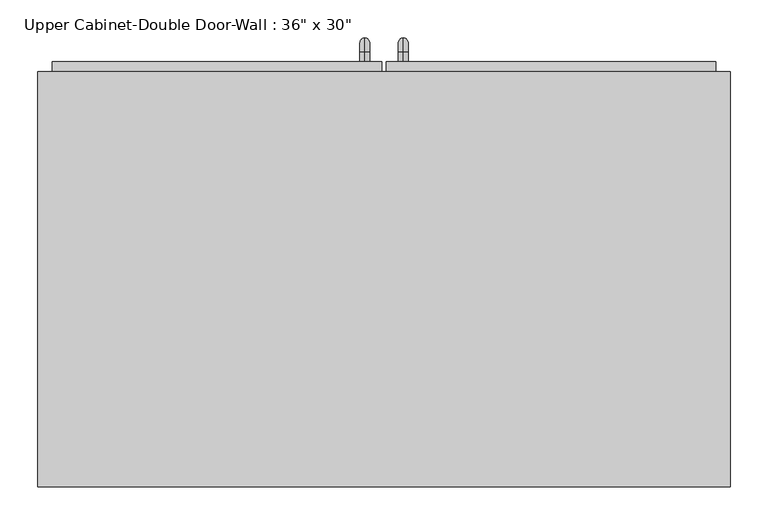
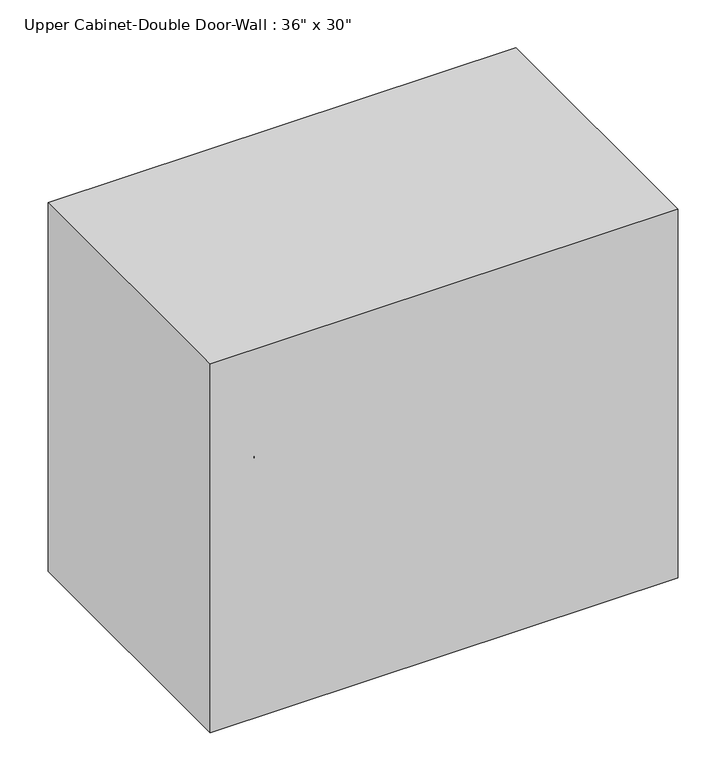
"""IFC4 building model written with IfcOpenShell, lengths in millimetres: furniture geometry."""

from ifc_helpers import new_model, si_unit, point, frame, origin, place, context, project, spatial, polyline, circle_curve, ellipse_curve, trimmed, outline, extrude, faceted_brep, source, transform, mapped, element, save
from ifc_brep_helpers import plane_surface, cylinder_surface, revolved_surface, advanced_brep


def furniture_4cceae57(model_context):
    return source(origin(), model_context, "Body", "SolidModel", [
        faceted_brep([(-427.4288372, 61.9125, 2133.6), (-427.4288372, 61.9125, 1371.6), (486.9711628, 61.9125, 1371.6), (486.9711628, 61.9125, 2133.6), (-427.4288372, 611.1875, 2133.6), (486.9711628, 611.1875, 2133.6), (486.9711628, 611.1875, 1371.6), (-427.4288372, 611.1875, 1371.6), (-408.3788372, 611.1875, 2114.55), (-408.3788372, 611.1875, 1390.65), (467.9211628, 611.1875, 1390.65), (467.9211628, 611.1875, 2114.55), (467.9211628, 80.9625, 2114.55), (-408.3788372, 80.9625, 2114.55), (467.9211628, 80.9625, 1390.65), (-408.3788372, 80.9625, 1390.65)], [[[0, 1, 2, 3]], [[4, 5, 6, 7], [8, 9, 10, 11]], [[1, 0, 4, 7]], [[2, 1, 7, 6]], [[3, 2, 6, 5]], [[0, 3, 5, 4]], [[8, 11, 12, 13]], [[11, 10, 14, 12]], [[10, 9, 15, 14]], [[9, 8, 13, 15]], [[13, 12, 14, 15]]]),
        advanced_brep(
        [(55.1711628, 623.8875, 1517.65), (55.1711628, 623.8875, 1530.35), (55.1711628, 636.5875, 1517.65), (55.1711628, 636.5875, 1530.35), (55.1711628, 655.6375, 1511.3), (55.1711628, 642.9375, 1511.3), (55.1711628, 642.9375, 1435.1), (55.1711628, 655.6375, 1435.1), (55.1711628, 636.5875, 1416.05), (55.1711628, 636.5875, 1428.75), (55.1711628, 623.8875, 1428.75), (55.1711628, 623.8875, 1416.05)],
        [
            (0, 1, circle_curve(frame((55.1711628, 623.8875, 1524.0), z_axis=(0.0, -1.0, 0.0), x_axis=(0.0, 0.0, -1.0)), 6.35)),
            (1, 0, circle_curve(frame((55.1711628, 623.8875, 1524.0), z_axis=(0.0, -1.0, 0.0), x_axis=(0.0, 0.0, -1.0)), 6.35)),
            (0, 2),
            (2, 3, circle_curve(frame((55.1711628, 636.5875, 1524.0), z_axis=(0.0, -1.0, 0.0), x_axis=(0.0, 0.0, -1.0)), 6.35)),
            (3, 1),
            (3, 2, circle_curve(frame((55.1711628, 636.5875, 1524.0), z_axis=(0.0, -1.0, 0.0), x_axis=(0.0, 0.0, -1.0)), 6.35)),
            (4, 3, circle_curve(frame((55.1711628, 636.5875, 1511.3), z_axis=(1.0, 0.0, 0.0), x_axis=(0.0, 0.0, 1.0)), 19.05)),
            (2, 5, circle_curve(frame((55.1711628, 636.5875, 1511.3), z_axis=(-1.0, 0.0, 0.0), x_axis=(0.0, 0.0, 1.0)), 6.35)),
            (5, 4, circle_curve(frame((55.1711628, 649.2875, 1511.3), z_axis=(0.0, 0.0, 1.0), x_axis=(0.0, -1.0, 0.0)), 6.35)),
            (4, 5, circle_curve(frame((55.1711628, 649.2875, 1511.3), z_axis=(0.0, 0.0, 1.0), x_axis=(0.0, -1.0, 0.0)), 6.35)),
            (5, 6),
            (6, 7, circle_curve(frame((55.1711628, 649.2875, 1435.1), z_axis=(0.0, 0.0, 1.0), x_axis=(0.0, -1.0, 0.0)), 6.35)),
            (7, 4),
            (7, 6, circle_curve(frame((55.1711628, 649.2875, 1435.1), z_axis=(0.0, 0.0, 1.0), x_axis=(0.0, -1.0, 0.0)), 6.35)),
            (8, 7, circle_curve(frame((55.1711628, 636.5875, 1435.1), z_axis=(1.0, 0.0, 0.0), x_axis=(0.0, 1.0, 0.0)), 19.05)),
            (6, 9, circle_curve(frame((55.1711628, 636.5875, 1435.1), z_axis=(-1.0, 0.0, 0.0), x_axis=(0.0, 1.0, 0.0)), 6.35)),
            (9, 8, circle_curve(frame((55.1711628, 636.5875, 1422.4), z_axis=(0.0, 1.0, 0.0), x_axis=(0.0, 0.0, 1.0)), 6.35)),
            (8, 9, circle_curve(frame((55.1711628, 636.5875, 1422.4), z_axis=(0.0, 1.0, 0.0), x_axis=(0.0, 0.0, 1.0)), 6.35)),
            (10, 11, circle_curve(frame((55.1711628, 623.8875, 1422.4), z_axis=(0.0, -1.0, 0.0), x_axis=(0.0, 0.0, 1.0)), 6.35)),
            (11, 10, circle_curve(frame((55.1711628, 623.8875, 1422.4), z_axis=(0.0, -1.0, 0.0), x_axis=(0.0, 0.0, 1.0)), 6.35)),
            (9, 10),
            (11, 8),
        ],
        [
            plane_surface(frame((48.8211628, 623.8875, 1524.0), z_axis=(0.0, -1.0, 0.0), x_axis=(0.0, 0.0, 1.0))),
            cylinder_surface(frame((55.1711628, 623.8875, 1524.0), z_axis=(0.0, -1.0, 0.0), x_axis=(0.0, 0.0, -1.0)), 6.35),
            revolved_surface(trimmed(ellipse_curve(frame((55.1711628, 636.5875, 1524.0), z_axis=(0.0, -1.0, 0.0), x_axis=(0.0, 0.0, -1.0)), 6.35, 6.35), [point((55.1711628, 636.5875, 1517.65))], [point((55.1711628, 636.5875, 1530.35))], True, "CARTESIAN"), (55.1711628, 636.5875, 1511.3), (-1.0, 0.0, 0.0)),
            revolved_surface(trimmed(ellipse_curve(frame((55.1711628, 636.5875, 1524.0), z_axis=(0.0, -1.0, 0.0), x_axis=(0.0, 0.0, -1.0)), 6.35, 6.35), [point((55.1711628, 636.5875, 1530.35))], [point((55.1711628, 636.5875, 1517.65))], True, "CARTESIAN"), (55.1711628, 636.5875, 1511.3), (-1.0, 0.0, 0.0)),
            cylinder_surface(frame((55.1711628, 649.2875, 1511.3), z_axis=(0.0, 0.0, 1.0), x_axis=(0.0, -1.0, 0.0)), 6.35),
            revolved_surface(trimmed(ellipse_curve(frame((55.1711628, 649.2875, 1435.1), z_axis=(0.0, 0.0, 1.0), x_axis=(0.0, -1.0, 0.0)), 6.35, 6.35), [point((55.1711628, 642.9375, 1435.1))], [point((55.1711628, 655.6375, 1435.1))], True, "CARTESIAN"), (55.1711628, 636.5875, 1435.1), (-1.0, 0.0, 0.0)),
            revolved_surface(trimmed(ellipse_curve(frame((55.1711628, 649.2875, 1435.1), z_axis=(0.0, 0.0, 1.0), x_axis=(0.0, -1.0, 0.0)), 6.35, 6.35), [point((55.1711628, 655.6375, 1435.1))], [point((55.1711628, 642.9375, 1435.1))], True, "CARTESIAN"), (55.1711628, 636.5875, 1435.1), (-1.0, 0.0, 0.0)),
            plane_surface(frame((48.8211628, 623.8875, 1422.4), z_axis=(0.0, -1.0, 0.0), x_axis=(0.0, 0.0, -1.0))),
            cylinder_surface(frame((55.1711628, 636.5875, 1422.4), z_axis=(0.0, 1.0, 0.0), x_axis=(0.0, 0.0, 1.0)), 6.35),
        ],
        [
            (0, [[1, 2]]),
            (1, [[-1, 3, 4, 5]]),
            (1, [[-2, -5, 6, -3]]),
            (2, [[7, -4, 8, 9]]),
            (3, [[-8, -6, -7, 10]]),
            (4, [[-9, 11, 12, 13]]),
            (4, [[-10, -13, 14, -11]]),
            (5, [[15, -12, 16, 17]]),
            (6, [[-16, -14, -15, 18]]),
            (7, [[19, 20]]),
            (8, [[-17, 21, -20, 22]]),
            (8, [[-18, -22, -19, -21]]),
        ],
    ),
        advanced_brep(
        [(4.3711628, 623.8875, 1517.65), (4.3711628, 623.8875, 1530.35), (4.3711628, 636.5875, 1517.65), (4.3711628, 636.5875, 1530.35), (4.3711628, 655.6375, 1511.3), (4.3711628, 642.9375, 1511.3), (4.3711628, 642.9375, 1435.1), (4.3711628, 655.6375, 1435.1), (4.3711628, 636.5875, 1416.05), (4.3711628, 636.5875, 1428.75), (4.3711628, 623.8875, 1428.75), (4.3711628, 623.8875, 1416.05)],
        [
            (0, 1, circle_curve(frame((4.3711628, 623.8875, 1524.0), z_axis=(0.0, -1.0, 0.0), x_axis=(0.0, 0.0, 1.0)), 6.35)),
            (1, 0, circle_curve(frame((4.3711628, 623.8875, 1524.0), z_axis=(0.0, -1.0, 0.0), x_axis=(0.0, 0.0, 1.0)), 6.35)),
            (0, 2),
            (2, 3, circle_curve(frame((4.3711628, 636.5875, 1524.0), z_axis=(0.0, -1.0, 0.0), x_axis=(0.0, 0.0, 1.0)), 6.35)),
            (3, 1),
            (3, 2, circle_curve(frame((4.3711628, 636.5875, 1524.0), z_axis=(0.0, -1.0, 0.0), x_axis=(0.0, 0.0, 1.0)), 6.35)),
            (4, 3, circle_curve(frame((4.3711628, 636.5875, 1511.3), z_axis=(1.0, 0.0, 0.0), x_axis=(0.0, 0.0, 1.0)), 19.05)),
            (2, 5, circle_curve(frame((4.3711628, 636.5875, 1511.3), z_axis=(-1.0, 0.0, 0.0), x_axis=(0.0, 0.0, 1.0)), 6.35)),
            (5, 4, circle_curve(frame((4.3711628, 649.2875, 1511.3), z_axis=(0.0, 0.0, 1.0), x_axis=(0.0, 1.0, 0.0)), 6.35)),
            (4, 5, circle_curve(frame((4.3711628, 649.2875, 1511.3), z_axis=(0.0, 0.0, 1.0), x_axis=(0.0, 1.0, 0.0)), 6.35)),
            (5, 6),
            (6, 7, circle_curve(frame((4.3711628, 649.2875, 1435.1), z_axis=(0.0, 0.0, 1.0), x_axis=(0.0, 1.0, 0.0)), 6.35)),
            (7, 4),
            (7, 6, circle_curve(frame((4.3711628, 649.2875, 1435.1), z_axis=(0.0, 0.0, 1.0), x_axis=(0.0, 1.0, 0.0)), 6.35)),
            (8, 7, circle_curve(frame((4.3711628, 636.5875, 1435.1), z_axis=(1.0, 0.0, 0.0), x_axis=(0.0, 1.0, 0.0)), 19.05)),
            (6, 9, circle_curve(frame((4.3711628, 636.5875, 1435.1), z_axis=(-1.0, 0.0, 0.0), x_axis=(0.0, 1.0, 0.0)), 6.35)),
            (9, 8, circle_curve(frame((4.3711628, 636.5875, 1422.4), z_axis=(0.0, 1.0, 0.0), x_axis=(0.0, 0.0, -1.0)), 6.35)),
            (8, 9, circle_curve(frame((4.3711628, 636.5875, 1422.4), z_axis=(0.0, 1.0, 0.0), x_axis=(0.0, 0.0, -1.0)), 6.35)),
            (10, 11, circle_curve(frame((4.3711628, 623.8875, 1422.4), z_axis=(0.0, -1.0, 0.0), x_axis=(0.0, 0.0, -1.0)), 6.35)),
            (11, 10, circle_curve(frame((4.3711628, 623.8875, 1422.4), z_axis=(0.0, -1.0, 0.0), x_axis=(0.0, 0.0, -1.0)), 6.35)),
            (9, 10),
            (11, 8),
        ],
        [
            plane_surface(frame((-1.9788372, 623.8875, 1524.0), z_axis=(0.0, -1.0, 0.0), x_axis=(0.0, 0.0, 1.0))),
            cylinder_surface(frame((4.3711628, 623.8875, 1524.0), z_axis=(0.0, -1.0, 0.0), x_axis=(0.0, 0.0, 1.0)), 6.35),
            revolved_surface(trimmed(ellipse_curve(frame((4.3711628, 636.5875, 1524.0), z_axis=(0.0, -1.0, 0.0), x_axis=(0.0, 0.0, 1.0)), 6.35, 6.35), [point((4.3711628, 636.5875, 1517.65))], [point((4.3711628, 636.5875, 1530.35))], True, "CARTESIAN"), (4.3711628, 636.5875, 1511.3), (-1.0, 0.0, 0.0)),
            revolved_surface(trimmed(ellipse_curve(frame((4.3711628, 636.5875, 1524.0), z_axis=(0.0, -1.0, 0.0), x_axis=(0.0, 0.0, 1.0)), 6.35, 6.35), [point((4.3711628, 636.5875, 1530.35))], [point((4.3711628, 636.5875, 1517.65))], True, "CARTESIAN"), (4.3711628, 636.5875, 1511.3), (-1.0, 0.0, 0.0)),
            cylinder_surface(frame((4.3711628, 649.2875, 1511.3), z_axis=(0.0, 0.0, 1.0), x_axis=(0.0, 1.0, 0.0)), 6.35),
            revolved_surface(trimmed(ellipse_curve(frame((4.3711628, 649.2875, 1435.1), z_axis=(0.0, 0.0, 1.0), x_axis=(0.0, 1.0, 0.0)), 6.35, 6.35), [point((4.3711628, 642.9375, 1435.1))], [point((4.3711628, 655.6375, 1435.1))], True, "CARTESIAN"), (4.3711628, 636.5875, 1435.1), (-1.0, 0.0, 0.0)),
            revolved_surface(trimmed(ellipse_curve(frame((4.3711628, 649.2875, 1435.1), z_axis=(0.0, 0.0, 1.0), x_axis=(0.0, 1.0, 0.0)), 6.35, 6.35), [point((4.3711628, 655.6375, 1435.1))], [point((4.3711628, 642.9375, 1435.1))], True, "CARTESIAN"), (4.3711628, 636.5875, 1435.1), (-1.0, 0.0, 0.0)),
            plane_surface(frame((-1.9788372, 623.8875, 1422.4), z_axis=(0.0, -1.0, 0.0), x_axis=(0.0, 0.0, -1.0))),
            cylinder_surface(frame((4.3711628, 636.5875, 1422.4), z_axis=(0.0, 1.0, 0.0), x_axis=(0.0, 0.0, -1.0)), 6.35),
        ],
        [
            (0, [[1, 2]]),
            (1, [[-1, 3, 4, 5]]),
            (1, [[-2, -5, 6, -3]]),
            (2, [[7, -4, 8, 9]]),
            (3, [[-8, -6, -7, 10]]),
            (4, [[-9, 11, 12, 13]]),
            (4, [[-10, -13, 14, -11]]),
            (5, [[15, -12, 16, 17]]),
            (6, [[-16, -14, -15, 18]]),
            (7, [[19, 20]]),
            (8, [[-17, 21, -20, 22]]),
            (8, [[-18, -22, -19, -21]]),
        ],
    ),
        extrude(outline(polyline([(32.9461628, 623.8875), (467.9211628, 623.8875), (467.9211628, 592.1375), (32.9461628, 592.1375), (32.9461628, 623.8875)])), frame((0.0, 0.0, 1390.65), z_axis=(0.0, 0.0, 1.0), x_axis=(1.0, 0.0, 0.0)), (0.0, 0.0, 1.0), 723.9),
        extrude(outline(polyline([(-408.3788372, 623.8875), (26.5961628, 623.8875), (26.5961628, 592.1375), (-408.3788372, 592.1375), (-408.3788372, 623.8875)])), frame((0.0, 0.0, 1390.65), z_axis=(0.0, 0.0, 1.0), x_axis=(1.0, 0.0, 0.0)), (0.0, 0.0, 1.0), 723.9),
    ])


if __name__ == "__main__":
    model = new_model("IFC4")
    model_context = context("Model", 3, world=origin())
    ifc_project = project(units=[si_unit("LENGTHUNIT", "METRE", prefix="MILLI")], contexts=[model_context])
    site = spatial("IfcSite", under=ifc_project)
    building = spatial("IfcBuilding", under=site)
    placement = place(None, origin())
    furniture_shape = furniture_4cceae57(model_context)
    element("IfcFurniture", 1, ObjectType="Upper Cabinet-Double Door-Wall : 36\" x 30\"", at=placement, inside=building, context=model_context, shape_type="MappedRepresentation", body=[
        mapped(furniture_shape, transform((0.0, 0.0, 0.0), x_axis=(1.0, 0.0, 0.0), y_axis=(0.0, 1.0, 0.0), z_axis=(0.0, 0.0, 1.0))),
    ])
    save(model, "model.ifc")
